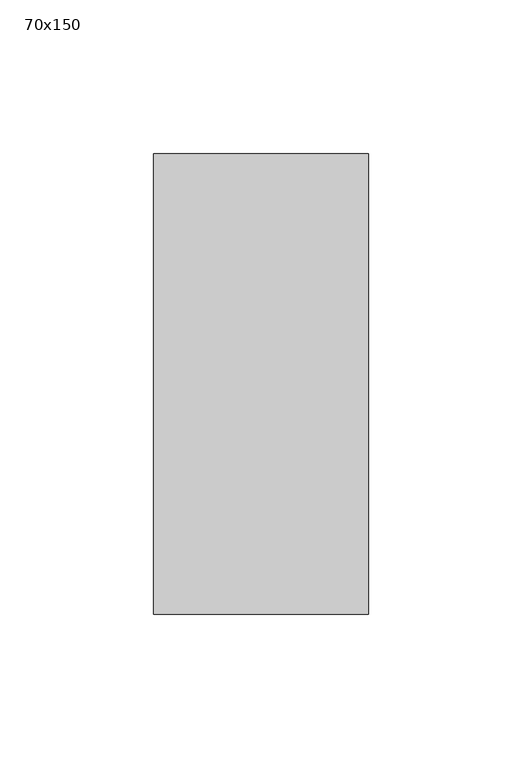
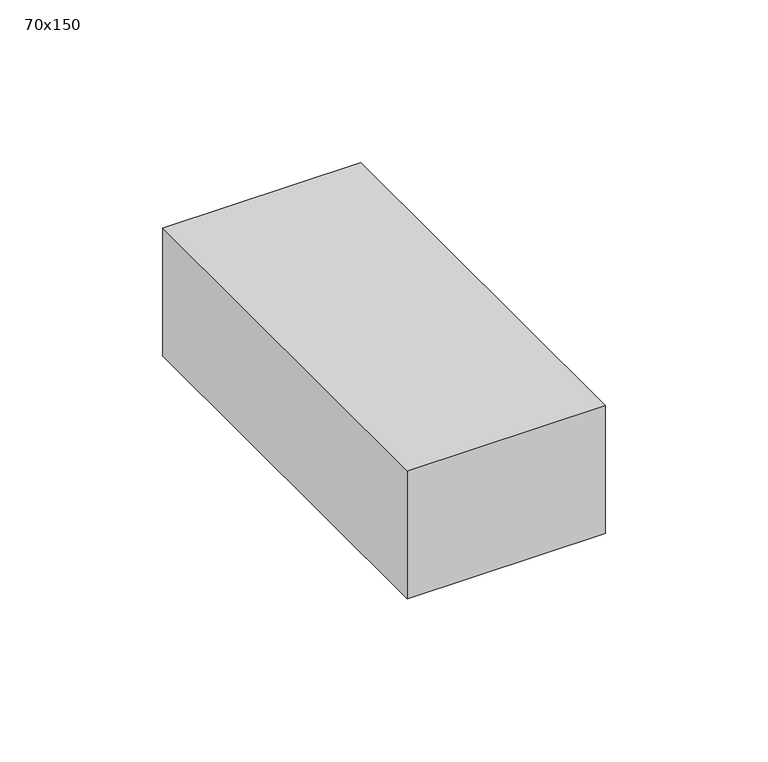
"""IFC4 building model written with IfcOpenShell, lengths in millimetres: member geometry, 70x150."""

import ifcopenshell
import ifcopenshell.guid

model = None  # the IFC model being written
_history = None  # IfcOwnerHistory: only IFC2X3 demands one
_inside = {}  # id of a spatial element -> (the spatial element, [elements in it])
_under = {}  # id of a project, library or spatial element -> (it, [spatial elements below it])
_declared = {}  # id of a project -> (the project, [libraries it declares])
_typed = {}  # id of a type object -> (the type object, [elements of that type])
_made_of = {}  # id of a material, layer set ... -> (it, [elements and type objects made of it])


def new_model(schema):
    """Start an empty IFC model of exactly this schema.

    Asked for "IFC4X3", IfcOpenShell would pick the latest addendum, in which some entities
    have other attributes; the version numbers below select the first issue.
    IFC2X3 requires an IfcOwnerHistory on every rooted entity: one is made here for all.
    """
    global model, _history
    if schema == "IFC4X3":
        model = ifcopenshell.file(schema_version=(4, 3, 0, 0))
    else:
        model = ifcopenshell.file(schema=schema)
    _inside.clear()
    _under.clear()
    _declared.clear()
    _typed.clear()
    _made_of.clear()
    _history = None
    if model.schema == "IFC2X3":
        org = make("IfcOrganization", Name="unknown")
        user = make(
            "IfcPersonAndOrganization",
            ThePerson=make("IfcPerson", FamilyName="unknown"),
            TheOrganization=org,
        )
        app = make(
            "IfcApplication",
            ApplicationDeveloper=org,
            Version="unknown",
            ApplicationFullName="unknown",
            ApplicationIdentifier="unknown",
        )
        _history = make(
            "IfcOwnerHistory",
            OwningUser=user,
            OwningApplication=app,
            ChangeAction="ADDED",
            CreationDate=0,
        )
    return model


def make(cls, **values):
    """One entity of the class cls with the attributes given. An attribute that is None is left unset."""
    return model.create_entity(
        cls, **{name: value for name, value in values.items() if value is not None}
    )


def rooted(cls, **values):
    """An entity with a GlobalId (a new one), such as an element, a storey or a relation."""
    return make(cls, GlobalId=ifcopenshell.guid.new(), OwnerHistory=_history, **values)


def si_unit(unit_type, name, prefix=None):
    """IfcSIUnit, for example si_unit("LENGTHUNIT", "METRE", prefix="MILLI")."""
    return make("IfcSIUnit", UnitType=unit_type, Prefix=prefix, Name=name)


def assignment(units):
    """IfcUnitAssignment: the units of a project."""
    return None if units is None else make("IfcUnitAssignment", Units=units)


def point(xyz):
    """IfcCartesianPoint."""
    return None if xyz is None else make("IfcCartesianPoint", Coordinates=xyz)


def direction(xyz):
    """IfcDirection."""
    return None if xyz is None else make("IfcDirection", DirectionRatios=xyz)


def frame(location, z_axis=None, x_axis=None):
    """IfcAxis2Placement3D, a coordinate frame: its origin and axes. An axis left out is left unset."""
    return make(
        "IfcAxis2Placement3D",
        Location=point(location),
        Axis=direction(z_axis),
        RefDirection=direction(x_axis),
    )


def origin():
    """The frame at (0, 0, 0) with its axes left unset."""
    return frame((0.0, 0.0, 0.0))


def place(relative_to, where):
    """IfcLocalPlacement: puts the frame where relative to a parent placement (None: the world)."""
    return make(
        "IfcLocalPlacement", PlacementRelTo=relative_to, RelativePlacement=where
    )


def context(
    kind, dimensions, precision=None, world=None, true_north=None, identifier=None
):
    """IfcGeometricRepresentationContext, for example the 3D "Model" context."""
    return make(
        "IfcGeometricRepresentationContext",
        ContextIdentifier=identifier,
        ContextType=kind,
        CoordinateSpaceDimension=dimensions,
        Precision=precision,
        WorldCoordinateSystem=world,
        TrueNorth=true_north,
    )


def project(units=None, contexts=None):
    """IfcProject with its units and contexts."""
    return rooted(
        "IfcProject",
        Name="project",
        RepresentationContexts=contexts,
        UnitsInContext=assignment(units),
    )


def spatial(cls, under=None, at=None, **own):
    """A site, building, storey or space (cls), placed at a placement, below another one or the project."""
    s = rooted(cls, ObjectPlacement=at, **own)
    if under is not None:
        _under.setdefault(under.id(), (under, []))[1].append(s)
    return s


def polyline(points):
    """IfcPolyline through the points."""
    return make("IfcPolyline", Points=[point(p) for p in points])


def outline(outer, holes=None, kind="AREA"):
    """IfcArbitraryClosedProfileDef: a profile drawn as a closed curve; with holes, ...WithVoids."""
    if holes is None:
        return make("IfcArbitraryClosedProfileDef", ProfileType=kind, OuterCurve=outer)
    return make(
        "IfcArbitraryProfileDefWithVoids",
        ProfileType=kind,
        OuterCurve=outer,
        InnerCurves=holes,
    )


def extrude(swept, where, along, depth):
    """IfcExtrudedAreaSolid: the profile swept, set in the frame where, extruded along a direction by depth."""
    return make(
        "IfcExtrudedAreaSolid",
        SweptArea=swept,
        Position=where,
        ExtrudedDirection=direction(along),
        Depth=depth,
    )


def shape(context_of_items, identifier, shape_type, items):
    """IfcShapeRepresentation: the items that make up one representation, for example the "Body"."""
    return make(
        "IfcShapeRepresentation",
        ContextOfItems=context_of_items,
        RepresentationIdentifier=identifier,
        RepresentationType=shape_type,
        Items=items,
    )


def source(mapping_origin, context_of_items, identifier, shape_type, items):
    """IfcRepresentationMap: a shape defined once, which mapped items show again and again."""
    return make(
        "IfcRepresentationMap",
        MappingOrigin=mapping_origin,
        MappedRepresentation=shape(context_of_items, identifier, shape_type, items),
    )


def transform(
    local_origin,
    x_axis=None,
    y_axis=None,
    z_axis=None,
    scale=None,
    scale2=None,
    scale3=None,
    uniform=True,
):
    """IfcCartesianTransformationOperator3D, or its non-uniform kind. x_axis, y_axis, z_axis: its Axis1, 2, 3."""
    if uniform:
        return make(
            "IfcCartesianTransformationOperator3D",
            Axis1=direction(x_axis),
            Axis2=direction(y_axis),
            LocalOrigin=point(local_origin),
            Scale=scale,
            Axis3=direction(z_axis),
        )
    return make(
        "IfcCartesianTransformationOperator3DnonUniform",
        Axis1=direction(x_axis),
        Axis2=direction(y_axis),
        LocalOrigin=point(local_origin),
        Scale=scale,
        Axis3=direction(z_axis),
        Scale2=scale2,
        Scale3=scale3,
    )


def mapped(mapping_source, mapping_target):
    """IfcMappedItem: shows the shape of a source again, moved by a transform."""
    return make(
        "IfcMappedItem", MappingSource=mapping_source, MappingTarget=mapping_target
    )


def made_of(thing, what):
    """Note that an element or type object is made of a material, layer set ...; save() writes the relation."""
    if what is not None:
        _made_of.setdefault(what.id(), (what, []))[1].append(thing)
    return thing


def element(
    cls,
    number,
    at=None,
    inside=None,
    cuts=None,
    type_object=None,
    material=None,
    context=None,
    identifier="Body",
    shape_type=None,
    held_by="IfcProductDefinitionShape",
    body=None,
    shapes=None,
    **own,
):
    """One element of the class cls, such as IfcWall. Its Tag is "e" and its number.

    at: its placement. inside: the storey or other place that contains it. cuts: it is an
    opening in that element (IfcRelVoidsElement). A single representation is given by context,
    identifier, shape_type and body (its items); several are given by shapes. held_by: the class
    of the entity that holds the representations. save() writes the other relations.
    """
    e = rooted(cls, Tag="e%d" % number, ObjectPlacement=at, **own)
    if body is not None:
        shapes = [shape(context, identifier, shape_type, body)]
    if shapes is not None:
        e.Representation = make(held_by, Representations=shapes)
    if inside is not None:
        _inside.setdefault(inside.id(), (inside, []))[1].append(e)
    if cuts is not None:
        rooted(
            "IfcRelVoidsElement", RelatingBuildingElement=cuts, RelatedOpeningElement=e
        )
    if type_object is not None:
        _typed.setdefault(type_object.id(), (type_object, []))[1].append(e)
    return made_of(e, material)


def aggregate(whole, parts):
    """IfcRelAggregates: a whole, such as a stair, and the parts it consists of."""
    return rooted("IfcRelAggregates", RelatingObject=whole, RelatedObjects=parts)


def save(model, path):
    """Write the relations noted so far, then the file.

    IfcRelAggregates (storeys below a building ...), IfcRelContainedInSpatialStructure (elements
    in a storey), IfcRelDefinesByType, IfcRelAssociatesMaterial and IfcRelDeclares: one each for
    every whole, place, type object, material and project.
    """
    for whole, parts in _under.values():
        aggregate(whole, parts)
    for where, things in _inside.values():
        rooted(
            "IfcRelContainedInSpatialStructure",
            RelatedElements=things,
            RelatingStructure=where,
        )
    for kind, things in _typed.values():
        rooted("IfcRelDefinesByType", RelatedObjects=things, RelatingType=kind)
    for what, things in _made_of.values():
        rooted("IfcRelAssociatesMaterial", RelatedObjects=things, RelatingMaterial=what)
    for by, libraries in _declared.values():
        rooted("IfcRelDeclares", RelatingContext=by, RelatedDefinitions=libraries)
    model.write(path)


def member_70x150_41006be3(model_context):
    return source(origin(), model_context, "Body", "SweptSolid", [
        extrude(outline(polyline([(35.0, 75.0), (35.0, -75.0), (-35.0, -75.0), (-35.0, 75.0), (35.0, 75.0)])), frame((0.0, 0.0, -47.9427229), z_axis=(0.0, 0.0, 1.0), x_axis=(1.0, 0.0, 0.0)), (0.0, 0.0, 1.0), 47.9427229),
    ])


if __name__ == "__main__":
    model = new_model("IFC4")
    model_context = context("Model", 3, world=origin())
    ifc_project = project(units=[si_unit("LENGTHUNIT", "METRE", prefix="MILLI")], contexts=[model_context])
    site = spatial("IfcSite", under=ifc_project)
    building = spatial("IfcBuilding", under=site)
    placement = place(None, origin())
    member_70x150_shape = member_70x150_41006be3(model_context)
    element("IfcMember", 1, ObjectType="70x150", at=placement, inside=building, context=model_context, shape_type="MappedRepresentation", body=[
        mapped(member_70x150_shape, transform((0.0, 0.0, 0.0), x_axis=(1.0, 0.0, 0.0), y_axis=(0.0, 1.0, 0.0), z_axis=(0.0, 0.0, 1.0))),
    ])
    save(model, "model.ifc")
